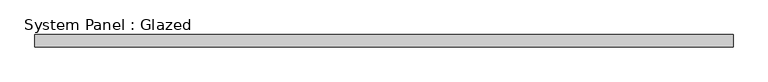
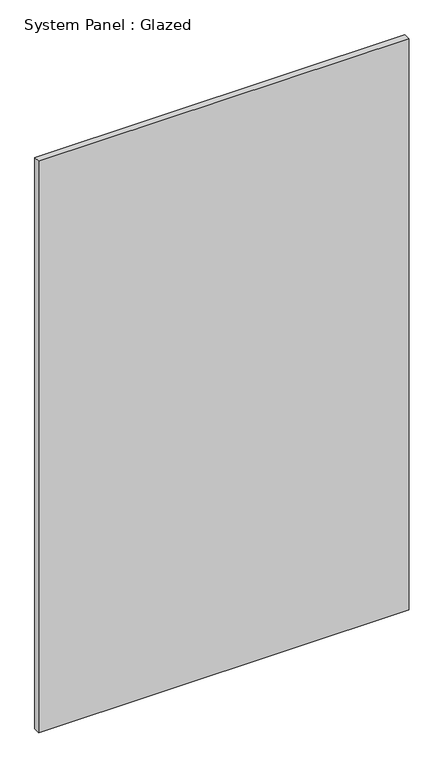
"""IFC4 building model written with IfcOpenShell, lengths in millimetres: plate geometry, System Panel : Glazed."""

from ifc_helpers import new_model, si_unit, origin, origin_with_axes, place, context, project, spatial, polyline, outline, extrude, source, transform, mapped, element, save


def system_panel_glazed_6ceb5668(model_context):
    return source(origin(), model_context, "Body", "SweptSolid", [
        extrude(outline(polyline([(712.5000001, 24.5), (-712.5000001, 24.5), (-712.5000001, 49.5), (712.5000001, 49.5), (712.5000001, 24.5)])), origin_with_axes(), (0.0, 0.0, 1.0), 2325.0),
    ])


if __name__ == "__main__":
    model = new_model("IFC4")
    model_context = context("Model", 3, world=origin())
    ifc_project = project(units=[si_unit("LENGTHUNIT", "METRE", prefix="MILLI")], contexts=[model_context])
    site = spatial("IfcSite", under=ifc_project)
    building = spatial("IfcBuilding", under=site)
    placement = place(None, origin())
    system_panel_glazed_shape = system_panel_glazed_6ceb5668(model_context)
    element("IfcPlate", 1, ObjectType="System Panel : Glazed", at=placement, inside=building, context=model_context, shape_type="MappedRepresentation", body=[
        mapped(system_panel_glazed_shape, transform((0.0, 0.0, 0.0), x_axis=(1.0, 0.0, 0.0), y_axis=(0.0, 1.0, 0.0), z_axis=(0.0, 0.0, 1.0))),
    ])
    save(model, "model.ifc")
